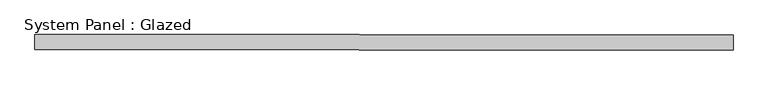
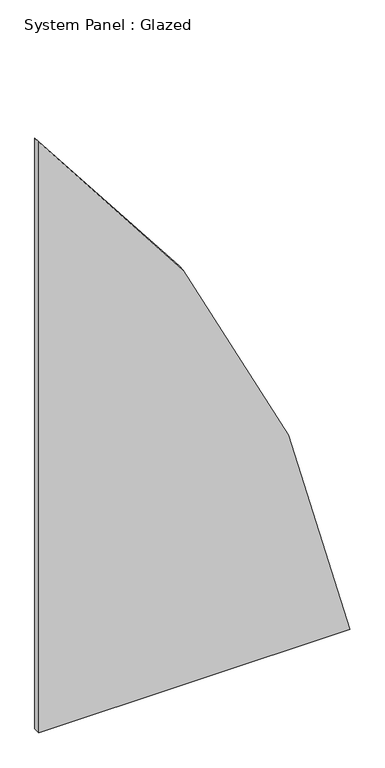
"""IFC4 building model written with IfcOpenShell, lengths in millimetres: plate geometry, System Panel : Glazed."""

from ifc_helpers import new_model, si_unit, point, frame, frame_2d, origin, place, context, project, spatial, polyline, circle_curve, trimmed, segment, composite_curve, outline, extrude, source, transform, mapped, element, save


def system_panel_glazed_881efeec(model_context):
    return source(origin(), model_context, "Body", "SweptSolid", [
        extrude(outline(composite_curve([segment(polyline([(0.0, -588.3068939), (0.0, 588.3068939)]), True, "CONTINUOUS"), segment(trimmed(circle_curve(frame_2d((-742.95, -3858.5568939)), 4508.5), [point((0.0, 588.3068939))], [point((2360.6023497, -588.3068939))], False, "CARTESIAN"), True, "CONTINUOUS"), segment(polyline([(2360.6023497, -588.3068939), (0.0, -588.3068939)]), True, "CONTINUOUS")], self_intersect=False)), frame((0.0, 19.05, 0.0), z_axis=(0.0, 1.0, 0.0), x_axis=(0.0, 0.0, 1.0)), (0.0, 0.0, 1.0), 25.4),
    ])


if __name__ == "__main__":
    model = new_model("IFC4")
    model_context = context("Model", 3, world=origin())
    ifc_project = project(units=[si_unit("LENGTHUNIT", "METRE", prefix="MILLI")], contexts=[model_context])
    site = spatial("IfcSite", under=ifc_project)
    building = spatial("IfcBuilding", under=site)
    placement = place(None, origin())
    system_panel_glazed_shape = system_panel_glazed_881efeec(model_context)
    element("IfcPlate", 1, ObjectType="System Panel : Glazed", at=placement, inside=building, context=model_context, shape_type="MappedRepresentation", body=[
        mapped(system_panel_glazed_shape, transform((0.0, 0.0, 0.0), x_axis=(1.0, 0.0, 0.0), y_axis=(0.0, 1.0, 0.0), z_axis=(0.0, 0.0, 1.0))),
    ])
    save(model, "model.ifc")
